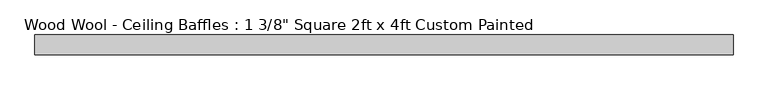
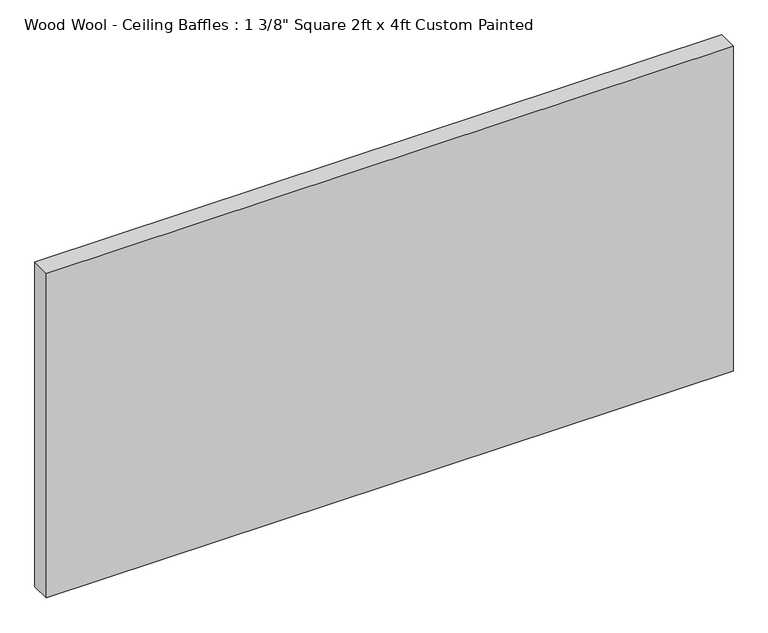
"""IFC4 building model written with IfcOpenShell, lengths in millimetres: proxy geometry."""

from ifc_helpers import new_model, si_unit, origin, origin_with_axes, place, context, project, spatial, polyline, outline, extrude, source, transform, mapped, element, save


def proxy_1195bea5(model_context):
    return source(origin(), model_context, "Body", "SweptSolid", [
        extrude(outline(polyline([(609.6, -34.925), (-609.6, -34.925), (-609.6, 0.0), (609.6, 0.0), (609.6, -34.925)])), origin_with_axes(), (0.0, 0.0, 1.0), 609.6),
    ])


if __name__ == "__main__":
    model = new_model("IFC4")
    model_context = context("Model", 3, world=origin())
    ifc_project = project(units=[si_unit("LENGTHUNIT", "METRE", prefix="MILLI")], contexts=[model_context])
    site = spatial("IfcSite", under=ifc_project)
    building = spatial("IfcBuilding", under=site)
    placement = place(None, origin())
    proxy_shape = proxy_1195bea5(model_context)
    element("IfcBuildingElementProxy", 1, Name="Wood Wool - Ceiling Baffles : 1 3/8\" Square 2ft x 4ft Custom Painted", ObjectType="Wood Wool - Ceiling Baffles : 1 3/8\" Square 2ft x 4ft Custom Painted", at=placement, inside=building, context=model_context, shape_type="MappedRepresentation", body=[
        mapped(proxy_shape, transform((0.0, 0.0, 0.0), x_axis=(1.0, 0.0, 0.0), y_axis=(0.0, 1.0, 0.0), z_axis=(0.0, 0.0, 1.0))),
    ])
    save(model, "model.ifc")
